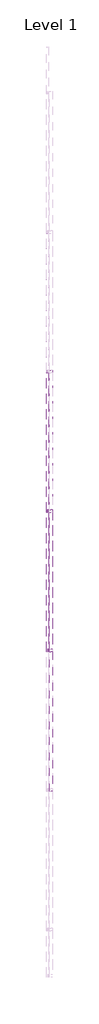
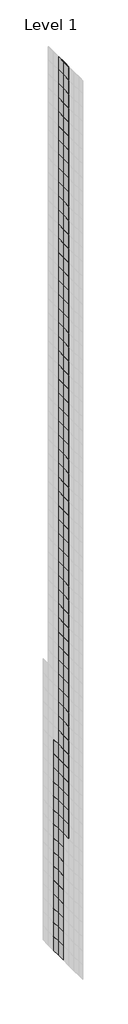
# One storey, part 3 of 29: 134 plates, 4 members.
"""IFC4 building model written with IfcOpenShell, lengths in millimetres."""

import ifcopenshell
import ifcopenshell.guid

model = None  # the IFC model being written
_history = None  # IfcOwnerHistory: only IFC2X3 demands one
_inside = {}  # id of a spatial element -> (the spatial element, [elements in it])
_under = {}  # id of a project, library or spatial element -> (it, [spatial elements below it])
_declared = {}  # id of a project -> (the project, [libraries it declares])
_typed = {}  # id of a type object -> (the type object, [elements of that type])
_made_of = {}  # id of a material, layer set ... -> (it, [elements and type objects made of it])


def new_model(schema):
    """Start an empty IFC model of exactly this schema.

    Asked for "IFC4X3", IfcOpenShell would pick the latest addendum, in which some entities
    have other attributes; the version numbers below select the first issue.
    IFC2X3 requires an IfcOwnerHistory on every rooted entity: one is made here for all.
    """
    global model, _history
    if schema == "IFC4X3":
        model = ifcopenshell.file(schema_version=(4, 3, 0, 0))
    else:
        model = ifcopenshell.file(schema=schema)
    _inside.clear()
    _under.clear()
    _declared.clear()
    _typed.clear()
    _made_of.clear()
    _history = None
    if model.schema == "IFC2X3":
        org = make("IfcOrganization", Name="unknown")
        user = make(
            "IfcPersonAndOrganization",
            ThePerson=make("IfcPerson", FamilyName="unknown"),
            TheOrganization=org,
        )
        app = make(
            "IfcApplication",
            ApplicationDeveloper=org,
            Version="unknown",
            ApplicationFullName="unknown",
            ApplicationIdentifier="unknown",
        )
        _history = make(
            "IfcOwnerHistory",
            OwningUser=user,
            OwningApplication=app,
            ChangeAction="ADDED",
            CreationDate=0,
        )
    return model


def make(cls, **values):
    """One entity of the class cls with the attributes given. An attribute that is None is left unset."""
    return model.create_entity(
        cls, **{name: value for name, value in values.items() if value is not None}
    )


def rooted(cls, **values):
    """An entity with a GlobalId (a new one), such as an element, a storey or a relation."""
    return make(cls, GlobalId=ifcopenshell.guid.new(), OwnerHistory=_history, **values)


def si_unit(unit_type, name, prefix=None):
    """IfcSIUnit, for example si_unit("LENGTHUNIT", "METRE", prefix="MILLI")."""
    return make("IfcSIUnit", UnitType=unit_type, Prefix=prefix, Name=name)


def assignment(units):
    """IfcUnitAssignment: the units of a project."""
    return None if units is None else make("IfcUnitAssignment", Units=units)


def point(xyz):
    """IfcCartesianPoint."""
    return None if xyz is None else make("IfcCartesianPoint", Coordinates=xyz)


def direction(xyz):
    """IfcDirection."""
    return None if xyz is None else make("IfcDirection", DirectionRatios=xyz)


def frame(location, z_axis=None, x_axis=None):
    """IfcAxis2Placement3D, a coordinate frame: its origin and axes. An axis left out is left unset."""
    return make(
        "IfcAxis2Placement3D",
        Location=point(location),
        Axis=direction(z_axis),
        RefDirection=direction(x_axis),
    )


def origin():
    """The frame at (0, 0, 0) with its axes left unset."""
    return frame((0.0, 0.0, 0.0))


def origin_with_axes():
    """The frame at (0, 0, 0) with the z axis (0, 0, 1) and the x axis (1, 0, 0) written out."""
    return frame((0.0, 0.0, 0.0), z_axis=(0.0, 0.0, 1.0), x_axis=(1.0, 0.0, 0.0))


def place(relative_to, where):
    """IfcLocalPlacement: puts the frame where relative to a parent placement (None: the world)."""
    return make(
        "IfcLocalPlacement", PlacementRelTo=relative_to, RelativePlacement=where
    )


def context(
    kind, dimensions, precision=None, world=None, true_north=None, identifier=None
):
    """IfcGeometricRepresentationContext, for example the 3D "Model" context."""
    return make(
        "IfcGeometricRepresentationContext",
        ContextIdentifier=identifier,
        ContextType=kind,
        CoordinateSpaceDimension=dimensions,
        Precision=precision,
        WorldCoordinateSystem=world,
        TrueNorth=true_north,
    )


def project(units=None, contexts=None):
    """IfcProject with its units and contexts."""
    return rooted(
        "IfcProject",
        Name="project",
        RepresentationContexts=contexts,
        UnitsInContext=assignment(units),
    )


def spatial(cls, under=None, at=None, **own):
    """A site, building, storey or space (cls), placed at a placement, below another one or the project."""
    s = rooted(cls, ObjectPlacement=at, **own)
    if under is not None:
        _under.setdefault(under.id(), (under, []))[1].append(s)
    return s


def polyline(points):
    """IfcPolyline through the points."""
    return make("IfcPolyline", Points=[point(p) for p in points])


def outline(outer, holes=None, kind="AREA"):
    """IfcArbitraryClosedProfileDef: a profile drawn as a closed curve; with holes, ...WithVoids."""
    if holes is None:
        return make("IfcArbitraryClosedProfileDef", ProfileType=kind, OuterCurve=outer)
    return make(
        "IfcArbitraryProfileDefWithVoids",
        ProfileType=kind,
        OuterCurve=outer,
        InnerCurves=holes,
    )


def extrude(swept, where, along, depth):
    """IfcExtrudedAreaSolid: the profile swept, set in the frame where, extruded along a direction by depth."""
    return make(
        "IfcExtrudedAreaSolid",
        SweptArea=swept,
        Position=where,
        ExtrudedDirection=direction(along),
        Depth=depth,
    )


def shape(context_of_items, identifier, shape_type, items):
    """IfcShapeRepresentation: the items that make up one representation, for example the "Body"."""
    return make(
        "IfcShapeRepresentation",
        ContextOfItems=context_of_items,
        RepresentationIdentifier=identifier,
        RepresentationType=shape_type,
        Items=items,
    )


def source(mapping_origin, context_of_items, identifier, shape_type, items):
    """IfcRepresentationMap: a shape defined once, which mapped items show again and again."""
    return make(
        "IfcRepresentationMap",
        MappingOrigin=mapping_origin,
        MappedRepresentation=shape(context_of_items, identifier, shape_type, items),
    )


def transform(
    local_origin,
    x_axis=None,
    y_axis=None,
    z_axis=None,
    scale=None,
    scale2=None,
    scale3=None,
    uniform=True,
):
    """IfcCartesianTransformationOperator3D, or its non-uniform kind. x_axis, y_axis, z_axis: its Axis1, 2, 3."""
    if uniform:
        return make(
            "IfcCartesianTransformationOperator3D",
            Axis1=direction(x_axis),
            Axis2=direction(y_axis),
            LocalOrigin=point(local_origin),
            Scale=scale,
            Axis3=direction(z_axis),
        )
    return make(
        "IfcCartesianTransformationOperator3DnonUniform",
        Axis1=direction(x_axis),
        Axis2=direction(y_axis),
        LocalOrigin=point(local_origin),
        Scale=scale,
        Axis3=direction(z_axis),
        Scale2=scale2,
        Scale3=scale3,
    )


def mapped(mapping_source, mapping_target):
    """IfcMappedItem: shows the shape of a source again, moved by a transform."""
    return make(
        "IfcMappedItem", MappingSource=mapping_source, MappingTarget=mapping_target
    )


def made_of(thing, what):
    """Note that an element or type object is made of a material, layer set ...; save() writes the relation."""
    if what is not None:
        _made_of.setdefault(what.id(), (what, []))[1].append(thing)
    return thing


def element(
    cls,
    number,
    at=None,
    inside=None,
    cuts=None,
    type_object=None,
    material=None,
    context=None,
    identifier="Body",
    shape_type=None,
    held_by="IfcProductDefinitionShape",
    body=None,
    shapes=None,
    **own,
):
    """One element of the class cls, such as IfcWall. Its Tag is "e" and its number.

    at: its placement. inside: the storey or other place that contains it. cuts: it is an
    opening in that element (IfcRelVoidsElement). A single representation is given by context,
    identifier, shape_type and body (its items); several are given by shapes. held_by: the class
    of the entity that holds the representations. save() writes the other relations.
    """
    e = rooted(cls, Tag="e%d" % number, ObjectPlacement=at, **own)
    if body is not None:
        shapes = [shape(context, identifier, shape_type, body)]
    if shapes is not None:
        e.Representation = make(held_by, Representations=shapes)
    if inside is not None:
        _inside.setdefault(inside.id(), (inside, []))[1].append(e)
    if cuts is not None:
        rooted(
            "IfcRelVoidsElement", RelatingBuildingElement=cuts, RelatedOpeningElement=e
        )
    if type_object is not None:
        _typed.setdefault(type_object.id(), (type_object, []))[1].append(e)
    return made_of(e, material)


def aggregate(whole, parts):
    """IfcRelAggregates: a whole, such as a stair, and the parts it consists of."""
    return rooted("IfcRelAggregates", RelatingObject=whole, RelatedObjects=parts)


def save(model, path):
    """Write the relations noted so far, then the file.

    IfcRelAggregates (storeys below a building ...), IfcRelContainedInSpatialStructure (elements
    in a storey), IfcRelDefinesByType, IfcRelAssociatesMaterial and IfcRelDeclares: one each for
    every whole, place, type object, material and project.
    """
    for whole, parts in _under.values():
        aggregate(whole, parts)
    for where, things in _inside.values():
        rooted(
            "IfcRelContainedInSpatialStructure",
            RelatedElements=things,
            RelatingStructure=where,
        )
    for kind, things in _typed.values():
        rooted("IfcRelDefinesByType", RelatedObjects=things, RelatingType=kind)
    for what, things in _made_of.values():
        rooted("IfcRelAssociatesMaterial", RelatedObjects=things, RelatingMaterial=what)
    for by, libraries in _declared.values():
        rooted("IfcRelDeclares", RelatingContext=by, RelatedDefinitions=libraries)
    model.write(path)


def rectangular_mullion_30mm_square_0448d2ee(model_context):
    return source(origin(), model_context, "Body", "SweptSolid", [
        extrude(outline(polyline([(0.0, 15.0), (0.0, -15.0), (-30.0, -15.0), (-30.0, 15.0), (0.0, 15.0)])), frame((0.0, 0.0, -1500.0), z_axis=(0.0, 0.0, 1.0), x_axis=(1.0, 0.0, 0.0)), (0.0, 0.0, 1.0), 1500.0),
    ])


def system_panel_glazed_328a1fc4(model_context):
    return source(origin(), model_context, "Body", "SweptSolid", [
        extrude(outline(polyline([(750.0, -49.5), (-750.0, -49.5), (-750.0, -24.5), (750.0, -24.5), (750.0, -49.5)])), origin_with_axes(), (0.0, 0.0, 1.0), 2500.0),
    ])


def system_panel_glazed_00ce7913(model_context):
    return source(origin(), model_context, "Body", "SweptSolid", [
        extrude(outline(polyline([(750.0, -49.5), (-750.0, -49.5), (-750.0, -24.5), (750.0, -24.5), (750.0, -49.5)])), origin_with_axes(), (0.0, 0.0, 1.0), 2300.0),
    ])


model = new_model("IFC4")

# Units and contexts
model_context = context("Model", 3, world=origin())
ifc_project = project(units=[si_unit("LENGTHUNIT", "METRE", prefix="MILLI")], contexts=[model_context])

# Site, building, storey
site = spatial("IfcSite", under=ifc_project)
building = spatial("IfcBuilding", under=site)
storey = spatial("IfcBuildingStorey", under=building, Name="Level 1", Elevation=0.0)

# Members
placement = place(None, origin())
rectangular_mullion_30mm_square_shape = rectangular_mullion_30mm_square_0448d2ee(model_context)
element("IfcMember", 1, ObjectType="Rectangular Mullion : 30mm Square", at=placement, inside=storey, context=model_context, shape_type="MappedRepresentation", body=[
    mapped(rectangular_mullion_30mm_square_shape, transform((-32220.0048524, -13446.8870295, 300200.0), x_axis=(0.0, 0.0, 1.0), y_axis=(-1.0, 0.0, 0.0), z_axis=(0.0, -1.0, 0.0))),
])
element("IfcMember", 2, ObjectType="Rectangular Mullion : 30mm Square", at=placement, inside=storey, context=model_context, shape_type="MappedRepresentation", body=[
    mapped(rectangular_mullion_30mm_square_shape, transform((-32220.0048524, -14946.8870295, 300200.0), x_axis=(0.0, 0.0, 1.0), y_axis=(-1.0, 0.0, 0.0), z_axis=(0.0, -1.0, 0.0))),
])
element("IfcMember", 3, ObjectType="Rectangular Mullion : 30mm Square", at=placement, inside=storey, context=model_context, shape_type="MappedRepresentation", body=[
    mapped(rectangular_mullion_30mm_square_shape, transform((-32220.0048524, -13446.8870295, 140400.0), x_axis=(0.0, 0.0, -1.0), y_axis=(-1.0, 0.0, 0.0), z_axis=(0.0, 1.0, 0.0))),
])
element("IfcMember", 4, ObjectType="Rectangular Mullion : 30mm Square", at=placement, inside=storey, context=model_context, shape_type="MappedRepresentation", body=[
    mapped(rectangular_mullion_30mm_square_shape, transform((-32220.0048524, -14946.8870295, 140400.0), x_axis=(0.0, 0.0, -1.0), y_axis=(-1.0, 0.0, 0.0), z_axis=(0.0, 1.0, 0.0))),
])

# Plates
system_panel_glazed_shape = system_panel_glazed_328a1fc4(model_context)
element("IfcPlate", 5, ObjectType="System Panel : Glazed", at=placement, inside=storey, context=model_context, shape_type="MappedRepresentation", body=[
    mapped(system_panel_glazed_shape, transform((-32220.0048524, -11196.8870295, 140400.0), x_axis=(0.0, -1.0, 0.0), y_axis=(1.0, 0.0, 0.0), z_axis=(0.0, 0.0, 1.0))),
])
element("IfcPlate", 6, ObjectType="System Panel : Glazed", at=placement, inside=storey, context=model_context, shape_type="MappedRepresentation", body=[
    mapped(system_panel_glazed_shape, transform((-32220.0048524, -12696.8870295, 140400.0), x_axis=(0.0, -1.0, 0.0), y_axis=(1.0, 0.0, 0.0), z_axis=(0.0, 0.0, 1.0))),
])
element("IfcPlate", 7, ObjectType="System Panel : Glazed", at=placement, inside=storey, context=model_context, shape_type="MappedRepresentation", body=[
    mapped(system_panel_glazed_shape, transform((-32220.0048524, -11196.8870295, 142900.0), x_axis=(0.0, -1.0, 0.0), y_axis=(1.0, 0.0, 0.0), z_axis=(0.0, 0.0, 1.0))),
])
element("IfcPlate", 8, ObjectType="System Panel : Glazed", at=placement, inside=storey, context=model_context, shape_type="MappedRepresentation", body=[
    mapped(system_panel_glazed_shape, transform((-32220.0048524, -12696.8870295, 142900.0), x_axis=(0.0, -1.0, 0.0), y_axis=(1.0, 0.0, 0.0), z_axis=(0.0, 0.0, 1.0))),
])
element("IfcPlate", 9, ObjectType="System Panel : Glazed", at=placement, inside=storey, context=model_context, shape_type="MappedRepresentation", body=[
    mapped(system_panel_glazed_shape, transform((-32220.0048524, -11196.8870295, 145400.0), x_axis=(0.0, -1.0, 0.0), y_axis=(1.0, 0.0, 0.0), z_axis=(0.0, 0.0, 1.0))),
])
element("IfcPlate", 10, ObjectType="System Panel : Glazed", at=placement, inside=storey, context=model_context, shape_type="MappedRepresentation", body=[
    mapped(system_panel_glazed_shape, transform((-32220.0048524, -12696.8870295, 145400.0), x_axis=(0.0, -1.0, 0.0), y_axis=(1.0, 0.0, 0.0), z_axis=(0.0, 0.0, 1.0))),
])
element("IfcPlate", 11, ObjectType="System Panel : Glazed", at=placement, inside=storey, context=model_context, shape_type="MappedRepresentation", body=[
    mapped(system_panel_glazed_shape, transform((-32220.0048524, -11196.8870295, 147900.0), x_axis=(0.0, -1.0, 0.0), y_axis=(1.0, 0.0, 0.0), z_axis=(0.0, 0.0, 1.0))),
])
element("IfcPlate", 12, ObjectType="System Panel : Glazed", at=placement, inside=storey, context=model_context, shape_type="MappedRepresentation", body=[
    mapped(system_panel_glazed_shape, transform((-32220.0048524, -12696.8870295, 147900.0), x_axis=(0.0, -1.0, 0.0), y_axis=(1.0, 0.0, 0.0), z_axis=(0.0, 0.0, 1.0))),
])
element("IfcPlate", 13, ObjectType="System Panel : Glazed", at=placement, inside=storey, context=model_context, shape_type="MappedRepresentation", body=[
    mapped(system_panel_glazed_shape, transform((-32220.0048524, -11196.8870295, 150400.0), x_axis=(0.0, -1.0, 0.0), y_axis=(1.0, 0.0, 0.0), z_axis=(0.0, 0.0, 1.0))),
])
element("IfcPlate", 14, ObjectType="System Panel : Glazed", at=placement, inside=storey, context=model_context, shape_type="MappedRepresentation", body=[
    mapped(system_panel_glazed_shape, transform((-32220.0048524, -12696.8870295, 150400.0), x_axis=(0.0, -1.0, 0.0), y_axis=(1.0, 0.0, 0.0), z_axis=(0.0, 0.0, 1.0))),
])
element("IfcPlate", 15, ObjectType="System Panel : Glazed", at=placement, inside=storey, context=model_context, shape_type="MappedRepresentation", body=[
    mapped(system_panel_glazed_shape, transform((-32220.0048524, -11196.8870295, 152900.0), x_axis=(0.0, -1.0, 0.0), y_axis=(1.0, 0.0, 0.0), z_axis=(0.0, 0.0, 1.0))),
])
element("IfcPlate", 16, ObjectType="System Panel : Glazed", at=placement, inside=storey, context=model_context, shape_type="MappedRepresentation", body=[
    mapped(system_panel_glazed_shape, transform((-32220.0048524, -12696.8870295, 152900.0), x_axis=(0.0, -1.0, 0.0), y_axis=(1.0, 0.0, 0.0), z_axis=(0.0, 0.0, 1.0))),
])
element("IfcPlate", 17, ObjectType="System Panel : Glazed", at=placement, inside=storey, context=model_context, shape_type="MappedRepresentation", body=[
    mapped(system_panel_glazed_shape, transform((-32220.0048524, -11196.8870295, 155400.0), x_axis=(0.0, -1.0, 0.0), y_axis=(1.0, 0.0, 0.0), z_axis=(0.0, 0.0, 1.0))),
])
element("IfcPlate", 18, ObjectType="System Panel : Glazed", at=placement, inside=storey, context=model_context, shape_type="MappedRepresentation", body=[
    mapped(system_panel_glazed_shape, transform((-32220.0048524, -12696.8870295, 155400.0), x_axis=(0.0, -1.0, 0.0), y_axis=(1.0, 0.0, 0.0), z_axis=(0.0, 0.0, 1.0))),
])
element("IfcPlate", 19, ObjectType="System Panel : Glazed", at=placement, inside=storey, context=model_context, shape_type="MappedRepresentation", body=[
    mapped(system_panel_glazed_shape, transform((-32220.0048524, -11196.8870295, 157900.0), x_axis=(0.0, -1.0, 0.0), y_axis=(1.0, 0.0, 0.0), z_axis=(0.0, 0.0, 1.0))),
])
element("IfcPlate", 20, ObjectType="System Panel : Glazed", at=placement, inside=storey, context=model_context, shape_type="MappedRepresentation", body=[
    mapped(system_panel_glazed_shape, transform((-32220.0048524, -12696.8870295, 157900.0), x_axis=(0.0, -1.0, 0.0), y_axis=(1.0, 0.0, 0.0), z_axis=(0.0, 0.0, 1.0))),
])
element("IfcPlate", 21, ObjectType="System Panel : Glazed", at=placement, inside=storey, context=model_context, shape_type="MappedRepresentation", body=[
    mapped(system_panel_glazed_shape, transform((-32220.0048524, -11196.8870295, 160400.0), x_axis=(0.0, -1.0, 0.0), y_axis=(1.0, 0.0, 0.0), z_axis=(0.0, 0.0, 1.0))),
])
element("IfcPlate", 22, ObjectType="System Panel : Glazed", at=placement, inside=storey, context=model_context, shape_type="MappedRepresentation", body=[
    mapped(system_panel_glazed_shape, transform((-32220.0048524, -12696.8870295, 160400.0), x_axis=(0.0, -1.0, 0.0), y_axis=(1.0, 0.0, 0.0), z_axis=(0.0, 0.0, 1.0))),
])
element("IfcPlate", 23, ObjectType="System Panel : Glazed", at=placement, inside=storey, context=model_context, shape_type="MappedRepresentation", body=[
    mapped(system_panel_glazed_shape, transform((-32220.0048524, -11196.8870295, 162900.0), x_axis=(0.0, -1.0, 0.0), y_axis=(1.0, 0.0, 0.0), z_axis=(0.0, 0.0, 1.0))),
])
element("IfcPlate", 24, ObjectType="System Panel : Glazed", at=placement, inside=storey, context=model_context, shape_type="MappedRepresentation", body=[
    mapped(system_panel_glazed_shape, transform((-32220.0048524, -12696.8870295, 162900.0), x_axis=(0.0, -1.0, 0.0), y_axis=(1.0, 0.0, 0.0), z_axis=(0.0, 0.0, 1.0))),
])
element("IfcPlate", 25, ObjectType="System Panel : Glazed", at=placement, inside=storey, context=model_context, shape_type="MappedRepresentation", body=[
    mapped(system_panel_glazed_shape, transform((-32220.0048524, -14196.8870295, 162900.0), x_axis=(0.0, -1.0, 0.0), y_axis=(1.0, 0.0, 0.0), z_axis=(0.0, 0.0, 1.0))),
])
element("IfcPlate", 26, ObjectType="System Panel : Glazed", at=placement, inside=storey, context=model_context, shape_type="MappedRepresentation", body=[
    mapped(system_panel_glazed_shape, transform((-32220.0048524, -11196.8870295, 165400.0), x_axis=(0.0, -1.0, 0.0), y_axis=(1.0, 0.0, 0.0), z_axis=(0.0, 0.0, 1.0))),
])
element("IfcPlate", 27, ObjectType="System Panel : Glazed", at=placement, inside=storey, context=model_context, shape_type="MappedRepresentation", body=[
    mapped(system_panel_glazed_shape, transform((-32220.0048524, -12696.8870295, 165400.0), x_axis=(0.0, -1.0, 0.0), y_axis=(1.0, 0.0, 0.0), z_axis=(0.0, 0.0, 1.0))),
])
element("IfcPlate", 28, ObjectType="System Panel : Glazed", at=placement, inside=storey, context=model_context, shape_type="MappedRepresentation", body=[
    mapped(system_panel_glazed_shape, transform((-32220.0048524, -14196.8870295, 165400.0), x_axis=(0.0, -1.0, 0.0), y_axis=(1.0, 0.0, 0.0), z_axis=(0.0, 0.0, 1.0))),
])
element("IfcPlate", 29, ObjectType="System Panel : Glazed", at=placement, inside=storey, context=model_context, shape_type="MappedRepresentation", body=[
    mapped(system_panel_glazed_shape, transform((-32220.0048524, -11196.8870295, 167900.0), x_axis=(0.0, -1.0, 0.0), y_axis=(1.0, 0.0, 0.0), z_axis=(0.0, 0.0, 1.0))),
])
element("IfcPlate", 30, ObjectType="System Panel : Glazed", at=placement, inside=storey, context=model_context, shape_type="MappedRepresentation", body=[
    mapped(system_panel_glazed_shape, transform((-32220.0048524, -12696.8870295, 167900.0), x_axis=(0.0, -1.0, 0.0), y_axis=(1.0, 0.0, 0.0), z_axis=(0.0, 0.0, 1.0))),
])
element("IfcPlate", 31, ObjectType="System Panel : Glazed", at=placement, inside=storey, context=model_context, shape_type="MappedRepresentation", body=[
    mapped(system_panel_glazed_shape, transform((-32220.0048524, -14196.8870295, 167900.0), x_axis=(0.0, -1.0, 0.0), y_axis=(1.0, 0.0, 0.0), z_axis=(0.0, 0.0, 1.0))),
])
element("IfcPlate", 32, ObjectType="System Panel : Glazed", at=placement, inside=storey, context=model_context, shape_type="MappedRepresentation", body=[
    mapped(system_panel_glazed_shape, transform((-32220.0048524, -11196.8870295, 170400.0), x_axis=(0.0, -1.0, 0.0), y_axis=(1.0, 0.0, 0.0), z_axis=(0.0, 0.0, 1.0))),
])
element("IfcPlate", 33, ObjectType="System Panel : Glazed", at=placement, inside=storey, context=model_context, shape_type="MappedRepresentation", body=[
    mapped(system_panel_glazed_shape, transform((-32220.0048524, -12696.8870295, 170400.0), x_axis=(0.0, -1.0, 0.0), y_axis=(1.0, 0.0, 0.0), z_axis=(0.0, 0.0, 1.0))),
])
element("IfcPlate", 34, ObjectType="System Panel : Glazed", at=placement, inside=storey, context=model_context, shape_type="MappedRepresentation", body=[
    mapped(system_panel_glazed_shape, transform((-32220.0048524, -14196.8870295, 170400.0), x_axis=(0.0, -1.0, 0.0), y_axis=(1.0, 0.0, 0.0), z_axis=(0.0, 0.0, 1.0))),
])
element("IfcPlate", 35, ObjectType="System Panel : Glazed", at=placement, inside=storey, context=model_context, shape_type="MappedRepresentation", body=[
    mapped(system_panel_glazed_shape, transform((-32220.0048524, -11196.8870295, 172900.0), x_axis=(0.0, -1.0, 0.0), y_axis=(1.0, 0.0, 0.0), z_axis=(0.0, 0.0, 1.0))),
])
element("IfcPlate", 36, ObjectType="System Panel : Glazed", at=placement, inside=storey, context=model_context, shape_type="MappedRepresentation", body=[
    mapped(system_panel_glazed_shape, transform((-32220.0048524, -12696.8870295, 172900.0), x_axis=(0.0, -1.0, 0.0), y_axis=(1.0, 0.0, 0.0), z_axis=(0.0, 0.0, 1.0))),
])
element("IfcPlate", 37, ObjectType="System Panel : Glazed", at=placement, inside=storey, context=model_context, shape_type="MappedRepresentation", body=[
    mapped(system_panel_glazed_shape, transform((-32220.0048524, -14196.8870295, 172900.0), x_axis=(0.0, -1.0, 0.0), y_axis=(1.0, 0.0, 0.0), z_axis=(0.0, 0.0, 1.0))),
])
element("IfcPlate", 38, ObjectType="System Panel : Glazed", at=placement, inside=storey, context=model_context, shape_type="MappedRepresentation", body=[
    mapped(system_panel_glazed_shape, transform((-32220.0048524, -11196.8870295, 175400.0), x_axis=(0.0, -1.0, 0.0), y_axis=(1.0, 0.0, 0.0), z_axis=(0.0, 0.0, 1.0))),
])
element("IfcPlate", 39, ObjectType="System Panel : Glazed", at=placement, inside=storey, context=model_context, shape_type="MappedRepresentation", body=[
    mapped(system_panel_glazed_shape, transform((-32220.0048524, -12696.8870295, 175400.0), x_axis=(0.0, -1.0, 0.0), y_axis=(1.0, 0.0, 0.0), z_axis=(0.0, 0.0, 1.0))),
])
element("IfcPlate", 40, ObjectType="System Panel : Glazed", at=placement, inside=storey, context=model_context, shape_type="MappedRepresentation", body=[
    mapped(system_panel_glazed_shape, transform((-32220.0048524, -14196.8870295, 175400.0), x_axis=(0.0, -1.0, 0.0), y_axis=(1.0, 0.0, 0.0), z_axis=(0.0, 0.0, 1.0))),
])
element("IfcPlate", 41, ObjectType="System Panel : Glazed", at=placement, inside=storey, context=model_context, shape_type="MappedRepresentation", body=[
    mapped(system_panel_glazed_shape, transform((-32220.0048524, -12696.8870295, 177900.0), x_axis=(0.0, -1.0, 0.0), y_axis=(1.0, 0.0, 0.0), z_axis=(0.0, 0.0, 1.0))),
])
element("IfcPlate", 42, ObjectType="System Panel : Glazed", at=placement, inside=storey, context=model_context, shape_type="MappedRepresentation", body=[
    mapped(system_panel_glazed_shape, transform((-32220.0048524, -14196.8870295, 177900.0), x_axis=(0.0, -1.0, 0.0), y_axis=(1.0, 0.0, 0.0), z_axis=(0.0, 0.0, 1.0))),
])
element("IfcPlate", 43, ObjectType="System Panel : Glazed", at=placement, inside=storey, context=model_context, shape_type="MappedRepresentation", body=[
    mapped(system_panel_glazed_shape, transform((-32220.0048524, -12696.8870295, 180400.0), x_axis=(0.0, -1.0, 0.0), y_axis=(1.0, 0.0, 0.0), z_axis=(0.0, 0.0, 1.0))),
])
element("IfcPlate", 44, ObjectType="System Panel : Glazed", at=placement, inside=storey, context=model_context, shape_type="MappedRepresentation", body=[
    mapped(system_panel_glazed_shape, transform((-32220.0048524, -14196.8870295, 180400.0), x_axis=(0.0, -1.0, 0.0), y_axis=(1.0, 0.0, 0.0), z_axis=(0.0, 0.0, 1.0))),
])
element("IfcPlate", 45, ObjectType="System Panel : Glazed", at=placement, inside=storey, context=model_context, shape_type="MappedRepresentation", body=[
    mapped(system_panel_glazed_shape, transform((-32220.0048524, -12696.8870295, 182900.0), x_axis=(0.0, -1.0, 0.0), y_axis=(1.0, 0.0, 0.0), z_axis=(0.0, 0.0, 1.0))),
])
element("IfcPlate", 46, ObjectType="System Panel : Glazed", at=placement, inside=storey, context=model_context, shape_type="MappedRepresentation", body=[
    mapped(system_panel_glazed_shape, transform((-32220.0048524, -14196.8870295, 182900.0), x_axis=(0.0, -1.0, 0.0), y_axis=(1.0, 0.0, 0.0), z_axis=(0.0, 0.0, 1.0))),
])
element("IfcPlate", 47, ObjectType="System Panel : Glazed", at=placement, inside=storey, context=model_context, shape_type="MappedRepresentation", body=[
    mapped(system_panel_glazed_shape, transform((-32220.0048524, -12696.8870295, 185400.0), x_axis=(0.0, -1.0, 0.0), y_axis=(1.0, 0.0, 0.0), z_axis=(0.0, 0.0, 1.0))),
])
element("IfcPlate", 48, ObjectType="System Panel : Glazed", at=placement, inside=storey, context=model_context, shape_type="MappedRepresentation", body=[
    mapped(system_panel_glazed_shape, transform((-32220.0048524, -14196.8870295, 185400.0), x_axis=(0.0, -1.0, 0.0), y_axis=(1.0, 0.0, 0.0), z_axis=(0.0, 0.0, 1.0))),
])
element("IfcPlate", 49, ObjectType="System Panel : Glazed", at=placement, inside=storey, context=model_context, shape_type="MappedRepresentation", body=[
    mapped(system_panel_glazed_shape, transform((-32220.0048524, -12696.8870295, 187900.0), x_axis=(0.0, -1.0, 0.0), y_axis=(1.0, 0.0, 0.0), z_axis=(0.0, 0.0, 1.0))),
])
element("IfcPlate", 50, ObjectType="System Panel : Glazed", at=placement, inside=storey, context=model_context, shape_type="MappedRepresentation", body=[
    mapped(system_panel_glazed_shape, transform((-32220.0048524, -14196.8870295, 187900.0), x_axis=(0.0, -1.0, 0.0), y_axis=(1.0, 0.0, 0.0), z_axis=(0.0, 0.0, 1.0))),
])
element("IfcPlate", 51, ObjectType="System Panel : Glazed", at=placement, inside=storey, context=model_context, shape_type="MappedRepresentation", body=[
    mapped(system_panel_glazed_shape, transform((-32220.0048524, -12696.8870295, 190400.0), x_axis=(0.0, -1.0, 0.0), y_axis=(1.0, 0.0, 0.0), z_axis=(0.0, 0.0, 1.0))),
])
element("IfcPlate", 52, ObjectType="System Panel : Glazed", at=placement, inside=storey, context=model_context, shape_type="MappedRepresentation", body=[
    mapped(system_panel_glazed_shape, transform((-32220.0048524, -14196.8870295, 190400.0), x_axis=(0.0, -1.0, 0.0), y_axis=(1.0, 0.0, 0.0), z_axis=(0.0, 0.0, 1.0))),
])
element("IfcPlate", 53, ObjectType="System Panel : Glazed", at=placement, inside=storey, context=model_context, shape_type="MappedRepresentation", body=[
    mapped(system_panel_glazed_shape, transform((-32220.0048524, -12696.8870295, 192900.0), x_axis=(0.0, -1.0, 0.0), y_axis=(1.0, 0.0, 0.0), z_axis=(0.0, 0.0, 1.0))),
])
element("IfcPlate", 54, ObjectType="System Panel : Glazed", at=placement, inside=storey, context=model_context, shape_type="MappedRepresentation", body=[
    mapped(system_panel_glazed_shape, transform((-32220.0048524, -14196.8870295, 192900.0), x_axis=(0.0, -1.0, 0.0), y_axis=(1.0, 0.0, 0.0), z_axis=(0.0, 0.0, 1.0))),
])
element("IfcPlate", 55, ObjectType="System Panel : Glazed", at=placement, inside=storey, context=model_context, shape_type="MappedRepresentation", body=[
    mapped(system_panel_glazed_shape, transform((-32220.0048524, -12696.8870295, 195400.0), x_axis=(0.0, -1.0, 0.0), y_axis=(1.0, 0.0, 0.0), z_axis=(0.0, 0.0, 1.0))),
])
element("IfcPlate", 56, ObjectType="System Panel : Glazed", at=placement, inside=storey, context=model_context, shape_type="MappedRepresentation", body=[
    mapped(system_panel_glazed_shape, transform((-32220.0048524, -14196.8870295, 195400.0), x_axis=(0.0, -1.0, 0.0), y_axis=(1.0, 0.0, 0.0), z_axis=(0.0, 0.0, 1.0))),
])
element("IfcPlate", 57, ObjectType="System Panel : Glazed", at=placement, inside=storey, context=model_context, shape_type="MappedRepresentation", body=[
    mapped(system_panel_glazed_shape, transform((-32220.0048524, -12696.8870295, 197900.0), x_axis=(0.0, -1.0, 0.0), y_axis=(1.0, 0.0, 0.0), z_axis=(0.0, 0.0, 1.0))),
])
element("IfcPlate", 58, ObjectType="System Panel : Glazed", at=placement, inside=storey, context=model_context, shape_type="MappedRepresentation", body=[
    mapped(system_panel_glazed_shape, transform((-32220.0048524, -14196.8870295, 197900.0), x_axis=(0.0, -1.0, 0.0), y_axis=(1.0, 0.0, 0.0), z_axis=(0.0, 0.0, 1.0))),
])
element("IfcPlate", 59, ObjectType="System Panel : Glazed", at=placement, inside=storey, context=model_context, shape_type="MappedRepresentation", body=[
    mapped(system_panel_glazed_shape, transform((-32220.0048524, -12696.8870295, 200400.0), x_axis=(0.0, -1.0, 0.0), y_axis=(1.0, 0.0, 0.0), z_axis=(0.0, 0.0, 1.0))),
])
element("IfcPlate", 60, ObjectType="System Panel : Glazed", at=placement, inside=storey, context=model_context, shape_type="MappedRepresentation", body=[
    mapped(system_panel_glazed_shape, transform((-32220.0048524, -14196.8870295, 200400.0), x_axis=(0.0, -1.0, 0.0), y_axis=(1.0, 0.0, 0.0), z_axis=(0.0, 0.0, 1.0))),
])
element("IfcPlate", 61, ObjectType="System Panel : Glazed", at=placement, inside=storey, context=model_context, shape_type="MappedRepresentation", body=[
    mapped(system_panel_glazed_shape, transform((-32220.0048524, -12696.8870295, 202900.0), x_axis=(0.0, -1.0, 0.0), y_axis=(1.0, 0.0, 0.0), z_axis=(0.0, 0.0, 1.0))),
])
element("IfcPlate", 62, ObjectType="System Panel : Glazed", at=placement, inside=storey, context=model_context, shape_type="MappedRepresentation", body=[
    mapped(system_panel_glazed_shape, transform((-32220.0048524, -14196.8870295, 202900.0), x_axis=(0.0, -1.0, 0.0), y_axis=(1.0, 0.0, 0.0), z_axis=(0.0, 0.0, 1.0))),
])
element("IfcPlate", 63, ObjectType="System Panel : Glazed", at=placement, inside=storey, context=model_context, shape_type="MappedRepresentation", body=[
    mapped(system_panel_glazed_shape, transform((-32220.0048524, -12696.8870295, 205400.0), x_axis=(0.0, -1.0, 0.0), y_axis=(1.0, 0.0, 0.0), z_axis=(0.0, 0.0, 1.0))),
])
element("IfcPlate", 64, ObjectType="System Panel : Glazed", at=placement, inside=storey, context=model_context, shape_type="MappedRepresentation", body=[
    mapped(system_panel_glazed_shape, transform((-32220.0048524, -14196.8870295, 205400.0), x_axis=(0.0, -1.0, 0.0), y_axis=(1.0, 0.0, 0.0), z_axis=(0.0, 0.0, 1.0))),
])
element("IfcPlate", 65, ObjectType="System Panel : Glazed", at=placement, inside=storey, context=model_context, shape_type="MappedRepresentation", body=[
    mapped(system_panel_glazed_shape, transform((-32220.0048524, -12696.8870295, 207900.0), x_axis=(0.0, -1.0, 0.0), y_axis=(1.0, 0.0, 0.0), z_axis=(0.0, 0.0, 1.0))),
])
element("IfcPlate", 66, ObjectType="System Panel : Glazed", at=placement, inside=storey, context=model_context, shape_type="MappedRepresentation", body=[
    mapped(system_panel_glazed_shape, transform((-32220.0048524, -14196.8870295, 207900.0), x_axis=(0.0, -1.0, 0.0), y_axis=(1.0, 0.0, 0.0), z_axis=(0.0, 0.0, 1.0))),
])
element("IfcPlate", 67, ObjectType="System Panel : Glazed", at=placement, inside=storey, context=model_context, shape_type="MappedRepresentation", body=[
    mapped(system_panel_glazed_shape, transform((-32220.0048524, -12696.8870295, 210400.0), x_axis=(0.0, -1.0, 0.0), y_axis=(1.0, 0.0, 0.0), z_axis=(0.0, 0.0, 1.0))),
])
element("IfcPlate", 68, ObjectType="System Panel : Glazed", at=placement, inside=storey, context=model_context, shape_type="MappedRepresentation", body=[
    mapped(system_panel_glazed_shape, transform((-32220.0048524, -14196.8870295, 210400.0), x_axis=(0.0, -1.0, 0.0), y_axis=(1.0, 0.0, 0.0), z_axis=(0.0, 0.0, 1.0))),
])
element("IfcPlate", 69, ObjectType="System Panel : Glazed", at=placement, inside=storey, context=model_context, shape_type="MappedRepresentation", body=[
    mapped(system_panel_glazed_shape, transform((-32220.0048524, -12696.8870295, 212900.0), x_axis=(0.0, -1.0, 0.0), y_axis=(1.0, 0.0, 0.0), z_axis=(0.0, 0.0, 1.0))),
])
element("IfcPlate", 70, ObjectType="System Panel : Glazed", at=placement, inside=storey, context=model_context, shape_type="MappedRepresentation", body=[
    mapped(system_panel_glazed_shape, transform((-32220.0048524, -14196.8870295, 212900.0), x_axis=(0.0, -1.0, 0.0), y_axis=(1.0, 0.0, 0.0), z_axis=(0.0, 0.0, 1.0))),
])
element("IfcPlate", 71, ObjectType="System Panel : Glazed", at=placement, inside=storey, context=model_context, shape_type="MappedRepresentation", body=[
    mapped(system_panel_glazed_shape, transform((-32220.0048524, -12696.8870295, 215400.0), x_axis=(0.0, -1.0, 0.0), y_axis=(1.0, 0.0, 0.0), z_axis=(0.0, 0.0, 1.0))),
])
element("IfcPlate", 72, ObjectType="System Panel : Glazed", at=placement, inside=storey, context=model_context, shape_type="MappedRepresentation", body=[
    mapped(system_panel_glazed_shape, transform((-32220.0048524, -14196.8870295, 215400.0), x_axis=(0.0, -1.0, 0.0), y_axis=(1.0, 0.0, 0.0), z_axis=(0.0, 0.0, 1.0))),
])
element("IfcPlate", 73, ObjectType="System Panel : Glazed", at=placement, inside=storey, context=model_context, shape_type="MappedRepresentation", body=[
    mapped(system_panel_glazed_shape, transform((-32220.0048524, -12696.8870295, 217900.0), x_axis=(0.0, -1.0, 0.0), y_axis=(1.0, 0.0, 0.0), z_axis=(0.0, 0.0, 1.0))),
])
element("IfcPlate", 74, ObjectType="System Panel : Glazed", at=placement, inside=storey, context=model_context, shape_type="MappedRepresentation", body=[
    mapped(system_panel_glazed_shape, transform((-32220.0048524, -14196.8870295, 217900.0), x_axis=(0.0, -1.0, 0.0), y_axis=(1.0, 0.0, 0.0), z_axis=(0.0, 0.0, 1.0))),
])
element("IfcPlate", 75, ObjectType="System Panel : Glazed", at=placement, inside=storey, context=model_context, shape_type="MappedRepresentation", body=[
    mapped(system_panel_glazed_shape, transform((-32220.0048524, -12696.8870295, 220400.0), x_axis=(0.0, -1.0, 0.0), y_axis=(1.0, 0.0, 0.0), z_axis=(0.0, 0.0, 1.0))),
])
element("IfcPlate", 76, ObjectType="System Panel : Glazed", at=placement, inside=storey, context=model_context, shape_type="MappedRepresentation", body=[
    mapped(system_panel_glazed_shape, transform((-32220.0048524, -14196.8870295, 220400.0), x_axis=(0.0, -1.0, 0.0), y_axis=(1.0, 0.0, 0.0), z_axis=(0.0, 0.0, 1.0))),
])
element("IfcPlate", 77, ObjectType="System Panel : Glazed", at=placement, inside=storey, context=model_context, shape_type="MappedRepresentation", body=[
    mapped(system_panel_glazed_shape, transform((-32220.0048524, -12696.8870295, 222900.0), x_axis=(0.0, -1.0, 0.0), y_axis=(1.0, 0.0, 0.0), z_axis=(0.0, 0.0, 1.0))),
])
element("IfcPlate", 78, ObjectType="System Panel : Glazed", at=placement, inside=storey, context=model_context, shape_type="MappedRepresentation", body=[
    mapped(system_panel_glazed_shape, transform((-32220.0048524, -14196.8870295, 222900.0), x_axis=(0.0, -1.0, 0.0), y_axis=(1.0, 0.0, 0.0), z_axis=(0.0, 0.0, 1.0))),
])
element("IfcPlate", 79, ObjectType="System Panel : Glazed", at=placement, inside=storey, context=model_context, shape_type="MappedRepresentation", body=[
    mapped(system_panel_glazed_shape, transform((-32220.0048524, -12696.8870295, 225400.0), x_axis=(0.0, -1.0, 0.0), y_axis=(1.0, 0.0, 0.0), z_axis=(0.0, 0.0, 1.0))),
])
element("IfcPlate", 80, ObjectType="System Panel : Glazed", at=placement, inside=storey, context=model_context, shape_type="MappedRepresentation", body=[
    mapped(system_panel_glazed_shape, transform((-32220.0048524, -14196.8870295, 225400.0), x_axis=(0.0, -1.0, 0.0), y_axis=(1.0, 0.0, 0.0), z_axis=(0.0, 0.0, 1.0))),
])
element("IfcPlate", 81, ObjectType="System Panel : Glazed", at=placement, inside=storey, context=model_context, shape_type="MappedRepresentation", body=[
    mapped(system_panel_glazed_shape, transform((-32220.0048524, -12696.8870295, 227900.0), x_axis=(0.0, -1.0, 0.0), y_axis=(1.0, 0.0, 0.0), z_axis=(0.0, 0.0, 1.0))),
])
element("IfcPlate", 82, ObjectType="System Panel : Glazed", at=placement, inside=storey, context=model_context, shape_type="MappedRepresentation", body=[
    mapped(system_panel_glazed_shape, transform((-32220.0048524, -14196.8870295, 227900.0), x_axis=(0.0, -1.0, 0.0), y_axis=(1.0, 0.0, 0.0), z_axis=(0.0, 0.0, 1.0))),
])
element("IfcPlate", 83, ObjectType="System Panel : Glazed", at=placement, inside=storey, context=model_context, shape_type="MappedRepresentation", body=[
    mapped(system_panel_glazed_shape, transform((-32220.0048524, -12696.8870295, 230400.0), x_axis=(0.0, -1.0, 0.0), y_axis=(1.0, 0.0, 0.0), z_axis=(0.0, 0.0, 1.0))),
])
element("IfcPlate", 84, ObjectType="System Panel : Glazed", at=placement, inside=storey, context=model_context, shape_type="MappedRepresentation", body=[
    mapped(system_panel_glazed_shape, transform((-32220.0048524, -14196.8870295, 230400.0), x_axis=(0.0, -1.0, 0.0), y_axis=(1.0, 0.0, 0.0), z_axis=(0.0, 0.0, 1.0))),
])
element("IfcPlate", 85, ObjectType="System Panel : Glazed", at=placement, inside=storey, context=model_context, shape_type="MappedRepresentation", body=[
    mapped(system_panel_glazed_shape, transform((-32220.0048524, -12696.8870295, 232900.0), x_axis=(0.0, -1.0, 0.0), y_axis=(1.0, 0.0, 0.0), z_axis=(0.0, 0.0, 1.0))),
])
element("IfcPlate", 86, ObjectType="System Panel : Glazed", at=placement, inside=storey, context=model_context, shape_type="MappedRepresentation", body=[
    mapped(system_panel_glazed_shape, transform((-32220.0048524, -14196.8870295, 232900.0), x_axis=(0.0, -1.0, 0.0), y_axis=(1.0, 0.0, 0.0), z_axis=(0.0, 0.0, 1.0))),
])
element("IfcPlate", 87, ObjectType="System Panel : Glazed", at=placement, inside=storey, context=model_context, shape_type="MappedRepresentation", body=[
    mapped(system_panel_glazed_shape, transform((-32220.0048524, -12696.8870295, 235400.0), x_axis=(0.0, -1.0, 0.0), y_axis=(1.0, 0.0, 0.0), z_axis=(0.0, 0.0, 1.0))),
])
element("IfcPlate", 88, ObjectType="System Panel : Glazed", at=placement, inside=storey, context=model_context, shape_type="MappedRepresentation", body=[
    mapped(system_panel_glazed_shape, transform((-32220.0048524, -14196.8870295, 235400.0), x_axis=(0.0, -1.0, 0.0), y_axis=(1.0, 0.0, 0.0), z_axis=(0.0, 0.0, 1.0))),
])
element("IfcPlate", 89, ObjectType="System Panel : Glazed", at=placement, inside=storey, context=model_context, shape_type="MappedRepresentation", body=[
    mapped(system_panel_glazed_shape, transform((-32220.0048524, -12696.8870295, 237900.0), x_axis=(0.0, -1.0, 0.0), y_axis=(1.0, 0.0, 0.0), z_axis=(0.0, 0.0, 1.0))),
])
element("IfcPlate", 90, ObjectType="System Panel : Glazed", at=placement, inside=storey, context=model_context, shape_type="MappedRepresentation", body=[
    mapped(system_panel_glazed_shape, transform((-32220.0048524, -14196.8870295, 237900.0), x_axis=(0.0, -1.0, 0.0), y_axis=(1.0, 0.0, 0.0), z_axis=(0.0, 0.0, 1.0))),
])
element("IfcPlate", 91, ObjectType="System Panel : Glazed", at=placement, inside=storey, context=model_context, shape_type="MappedRepresentation", body=[
    mapped(system_panel_glazed_shape, transform((-32220.0048524, -12696.8870295, 240400.0), x_axis=(0.0, -1.0, 0.0), y_axis=(1.0, 0.0, 0.0), z_axis=(0.0, 0.0, 1.0))),
])
element("IfcPlate", 92, ObjectType="System Panel : Glazed", at=placement, inside=storey, context=model_context, shape_type="MappedRepresentation", body=[
    mapped(system_panel_glazed_shape, transform((-32220.0048524, -14196.8870295, 240400.0), x_axis=(0.0, -1.0, 0.0), y_axis=(1.0, 0.0, 0.0), z_axis=(0.0, 0.0, 1.0))),
])
element("IfcPlate", 93, ObjectType="System Panel : Glazed", at=placement, inside=storey, context=model_context, shape_type="MappedRepresentation", body=[
    mapped(system_panel_glazed_shape, transform((-32220.0048524, -12696.8870295, 242900.0), x_axis=(0.0, -1.0, 0.0), y_axis=(1.0, 0.0, 0.0), z_axis=(0.0, 0.0, 1.0))),
])
element("IfcPlate", 94, ObjectType="System Panel : Glazed", at=placement, inside=storey, context=model_context, shape_type="MappedRepresentation", body=[
    mapped(system_panel_glazed_shape, transform((-32220.0048524, -14196.8870295, 242900.0), x_axis=(0.0, -1.0, 0.0), y_axis=(1.0, 0.0, 0.0), z_axis=(0.0, 0.0, 1.0))),
])
element("IfcPlate", 95, ObjectType="System Panel : Glazed", at=placement, inside=storey, context=model_context, shape_type="MappedRepresentation", body=[
    mapped(system_panel_glazed_shape, transform((-32220.0048524, -12696.8870295, 245400.0), x_axis=(0.0, -1.0, 0.0), y_axis=(1.0, 0.0, 0.0), z_axis=(0.0, 0.0, 1.0))),
])
element("IfcPlate", 96, ObjectType="System Panel : Glazed", at=placement, inside=storey, context=model_context, shape_type="MappedRepresentation", body=[
    mapped(system_panel_glazed_shape, transform((-32220.0048524, -14196.8870295, 245400.0), x_axis=(0.0, -1.0, 0.0), y_axis=(1.0, 0.0, 0.0), z_axis=(0.0, 0.0, 1.0))),
])
element("IfcPlate", 97, ObjectType="System Panel : Glazed", at=placement, inside=storey, context=model_context, shape_type="MappedRepresentation", body=[
    mapped(system_panel_glazed_shape, transform((-32220.0048524, -12696.8870295, 247900.0), x_axis=(0.0, -1.0, 0.0), y_axis=(1.0, 0.0, 0.0), z_axis=(0.0, 0.0, 1.0))),
])
element("IfcPlate", 98, ObjectType="System Panel : Glazed", at=placement, inside=storey, context=model_context, shape_type="MappedRepresentation", body=[
    mapped(system_panel_glazed_shape, transform((-32220.0048524, -14196.8870295, 247900.0), x_axis=(0.0, -1.0, 0.0), y_axis=(1.0, 0.0, 0.0), z_axis=(0.0, 0.0, 1.0))),
])
element("IfcPlate", 99, ObjectType="System Panel : Glazed", at=placement, inside=storey, context=model_context, shape_type="MappedRepresentation", body=[
    mapped(system_panel_glazed_shape, transform((-32220.0048524, -12696.8870295, 250400.0), x_axis=(0.0, -1.0, 0.0), y_axis=(1.0, 0.0, 0.0), z_axis=(0.0, 0.0, 1.0))),
])
element("IfcPlate", 100, ObjectType="System Panel : Glazed", at=placement, inside=storey, context=model_context, shape_type="MappedRepresentation", body=[
    mapped(system_panel_glazed_shape, transform((-32220.0048524, -14196.8870295, 250400.0), x_axis=(0.0, -1.0, 0.0), y_axis=(1.0, 0.0, 0.0), z_axis=(0.0, 0.0, 1.0))),
])
element("IfcPlate", 101, ObjectType="System Panel : Glazed", at=placement, inside=storey, context=model_context, shape_type="MappedRepresentation", body=[
    mapped(system_panel_glazed_shape, transform((-32220.0048524, -12696.8870295, 252900.0), x_axis=(0.0, -1.0, 0.0), y_axis=(1.0, 0.0, 0.0), z_axis=(0.0, 0.0, 1.0))),
])
element("IfcPlate", 102, ObjectType="System Panel : Glazed", at=placement, inside=storey, context=model_context, shape_type="MappedRepresentation", body=[
    mapped(system_panel_glazed_shape, transform((-32220.0048524, -14196.8870295, 252900.0), x_axis=(0.0, -1.0, 0.0), y_axis=(1.0, 0.0, 0.0), z_axis=(0.0, 0.0, 1.0))),
])
element("IfcPlate", 103, ObjectType="System Panel : Glazed", at=placement, inside=storey, context=model_context, shape_type="MappedRepresentation", body=[
    mapped(system_panel_glazed_shape, transform((-32220.0048524, -12696.8870295, 255400.0), x_axis=(0.0, -1.0, 0.0), y_axis=(1.0, 0.0, 0.0), z_axis=(0.0, 0.0, 1.0))),
])
element("IfcPlate", 104, ObjectType="System Panel : Glazed", at=placement, inside=storey, context=model_context, shape_type="MappedRepresentation", body=[
    mapped(system_panel_glazed_shape, transform((-32220.0048524, -14196.8870295, 255400.0), x_axis=(0.0, -1.0, 0.0), y_axis=(1.0, 0.0, 0.0), z_axis=(0.0, 0.0, 1.0))),
])
element("IfcPlate", 105, ObjectType="System Panel : Glazed", at=placement, inside=storey, context=model_context, shape_type="MappedRepresentation", body=[
    mapped(system_panel_glazed_shape, transform((-32220.0048524, -12696.8870295, 257900.0), x_axis=(0.0, -1.0, 0.0), y_axis=(1.0, 0.0, 0.0), z_axis=(0.0, 0.0, 1.0))),
])
element("IfcPlate", 106, ObjectType="System Panel : Glazed", at=placement, inside=storey, context=model_context, shape_type="MappedRepresentation", body=[
    mapped(system_panel_glazed_shape, transform((-32220.0048524, -14196.8870295, 257900.0), x_axis=(0.0, -1.0, 0.0), y_axis=(1.0, 0.0, 0.0), z_axis=(0.0, 0.0, 1.0))),
])
element("IfcPlate", 107, ObjectType="System Panel : Glazed", at=placement, inside=storey, context=model_context, shape_type="MappedRepresentation", body=[
    mapped(system_panel_glazed_shape, transform((-32220.0048524, -12696.8870295, 260400.0), x_axis=(0.0, -1.0, 0.0), y_axis=(1.0, 0.0, 0.0), z_axis=(0.0, 0.0, 1.0))),
])
element("IfcPlate", 108, ObjectType="System Panel : Glazed", at=placement, inside=storey, context=model_context, shape_type="MappedRepresentation", body=[
    mapped(system_panel_glazed_shape, transform((-32220.0048524, -14196.8870295, 260400.0), x_axis=(0.0, -1.0, 0.0), y_axis=(1.0, 0.0, 0.0), z_axis=(0.0, 0.0, 1.0))),
])
element("IfcPlate", 109, ObjectType="System Panel : Glazed", at=placement, inside=storey, context=model_context, shape_type="MappedRepresentation", body=[
    mapped(system_panel_glazed_shape, transform((-32220.0048524, -12696.8870295, 262900.0), x_axis=(0.0, -1.0, 0.0), y_axis=(1.0, 0.0, 0.0), z_axis=(0.0, 0.0, 1.0))),
])
element("IfcPlate", 110, ObjectType="System Panel : Glazed", at=placement, inside=storey, context=model_context, shape_type="MappedRepresentation", body=[
    mapped(system_panel_glazed_shape, transform((-32220.0048524, -14196.8870295, 262900.0), x_axis=(0.0, -1.0, 0.0), y_axis=(1.0, 0.0, 0.0), z_axis=(0.0, 0.0, 1.0))),
])
element("IfcPlate", 111, ObjectType="System Panel : Glazed", at=placement, inside=storey, context=model_context, shape_type="MappedRepresentation", body=[
    mapped(system_panel_glazed_shape, transform((-32220.0048524, -12696.8870295, 265400.0), x_axis=(0.0, -1.0, 0.0), y_axis=(1.0, 0.0, 0.0), z_axis=(0.0, 0.0, 1.0))),
])
element("IfcPlate", 112, ObjectType="System Panel : Glazed", at=placement, inside=storey, context=model_context, shape_type="MappedRepresentation", body=[
    mapped(system_panel_glazed_shape, transform((-32220.0048524, -14196.8870295, 265400.0), x_axis=(0.0, -1.0, 0.0), y_axis=(1.0, 0.0, 0.0), z_axis=(0.0, 0.0, 1.0))),
])
element("IfcPlate", 113, ObjectType="System Panel : Glazed", at=placement, inside=storey, context=model_context, shape_type="MappedRepresentation", body=[
    mapped(system_panel_glazed_shape, transform((-32220.0048524, -12696.8870295, 267900.0), x_axis=(0.0, -1.0, 0.0), y_axis=(1.0, 0.0, 0.0), z_axis=(0.0, 0.0, 1.0))),
])
element("IfcPlate", 114, ObjectType="System Panel : Glazed", at=placement, inside=storey, context=model_context, shape_type="MappedRepresentation", body=[
    mapped(system_panel_glazed_shape, transform((-32220.0048524, -14196.8870295, 267900.0), x_axis=(0.0, -1.0, 0.0), y_axis=(1.0, 0.0, 0.0), z_axis=(0.0, 0.0, 1.0))),
])
element("IfcPlate", 115, ObjectType="System Panel : Glazed", at=placement, inside=storey, context=model_context, shape_type="MappedRepresentation", body=[
    mapped(system_panel_glazed_shape, transform((-32220.0048524, -12696.8870295, 270400.0), x_axis=(0.0, -1.0, 0.0), y_axis=(1.0, 0.0, 0.0), z_axis=(0.0, 0.0, 1.0))),
])
element("IfcPlate", 116, ObjectType="System Panel : Glazed", at=placement, inside=storey, context=model_context, shape_type="MappedRepresentation", body=[
    mapped(system_panel_glazed_shape, transform((-32220.0048524, -14196.8870295, 270400.0), x_axis=(0.0, -1.0, 0.0), y_axis=(1.0, 0.0, 0.0), z_axis=(0.0, 0.0, 1.0))),
])
element("IfcPlate", 117, ObjectType="System Panel : Glazed", at=placement, inside=storey, context=model_context, shape_type="MappedRepresentation", body=[
    mapped(system_panel_glazed_shape, transform((-32220.0048524, -12696.8870295, 272900.0), x_axis=(0.0, -1.0, 0.0), y_axis=(1.0, 0.0, 0.0), z_axis=(0.0, 0.0, 1.0))),
])
element("IfcPlate", 118, ObjectType="System Panel : Glazed", at=placement, inside=storey, context=model_context, shape_type="MappedRepresentation", body=[
    mapped(system_panel_glazed_shape, transform((-32220.0048524, -14196.8870295, 272900.0), x_axis=(0.0, -1.0, 0.0), y_axis=(1.0, 0.0, 0.0), z_axis=(0.0, 0.0, 1.0))),
])
element("IfcPlate", 119, ObjectType="System Panel : Glazed", at=placement, inside=storey, context=model_context, shape_type="MappedRepresentation", body=[
    mapped(system_panel_glazed_shape, transform((-32220.0048524, -12696.8870295, 275400.0), x_axis=(0.0, -1.0, 0.0), y_axis=(1.0, 0.0, 0.0), z_axis=(0.0, 0.0, 1.0))),
])
element("IfcPlate", 120, ObjectType="System Panel : Glazed", at=placement, inside=storey, context=model_context, shape_type="MappedRepresentation", body=[
    mapped(system_panel_glazed_shape, transform((-32220.0048524, -14196.8870295, 275400.0), x_axis=(0.0, -1.0, 0.0), y_axis=(1.0, 0.0, 0.0), z_axis=(0.0, 0.0, 1.0))),
])
element("IfcPlate", 121, ObjectType="System Panel : Glazed", at=placement, inside=storey, context=model_context, shape_type="MappedRepresentation", body=[
    mapped(system_panel_glazed_shape, transform((-32220.0048524, -12696.8870295, 277900.0), x_axis=(0.0, -1.0, 0.0), y_axis=(1.0, 0.0, 0.0), z_axis=(0.0, 0.0, 1.0))),
])
element("IfcPlate", 122, ObjectType="System Panel : Glazed", at=placement, inside=storey, context=model_context, shape_type="MappedRepresentation", body=[
    mapped(system_panel_glazed_shape, transform((-32220.0048524, -14196.8870295, 277900.0), x_axis=(0.0, -1.0, 0.0), y_axis=(1.0, 0.0, 0.0), z_axis=(0.0, 0.0, 1.0))),
])
element("IfcPlate", 123, ObjectType="System Panel : Glazed", at=placement, inside=storey, context=model_context, shape_type="MappedRepresentation", body=[
    mapped(system_panel_glazed_shape, transform((-32220.0048524, -12696.8870295, 280400.0), x_axis=(0.0, -1.0, 0.0), y_axis=(1.0, 0.0, 0.0), z_axis=(0.0, 0.0, 1.0))),
])
element("IfcPlate", 124, ObjectType="System Panel : Glazed", at=placement, inside=storey, context=model_context, shape_type="MappedRepresentation", body=[
    mapped(system_panel_glazed_shape, transform((-32220.0048524, -14196.8870295, 280400.0), x_axis=(0.0, -1.0, 0.0), y_axis=(1.0, 0.0, 0.0), z_axis=(0.0, 0.0, 1.0))),
])
element("IfcPlate", 125, ObjectType="System Panel : Glazed", at=placement, inside=storey, context=model_context, shape_type="MappedRepresentation", body=[
    mapped(system_panel_glazed_shape, transform((-32220.0048524, -12696.8870295, 282900.0), x_axis=(0.0, -1.0, 0.0), y_axis=(1.0, 0.0, 0.0), z_axis=(0.0, 0.0, 1.0))),
])
element("IfcPlate", 126, ObjectType="System Panel : Glazed", at=placement, inside=storey, context=model_context, shape_type="MappedRepresentation", body=[
    mapped(system_panel_glazed_shape, transform((-32220.0048524, -14196.8870295, 282900.0), x_axis=(0.0, -1.0, 0.0), y_axis=(1.0, 0.0, 0.0), z_axis=(0.0, 0.0, 1.0))),
])
element("IfcPlate", 127, ObjectType="System Panel : Glazed", at=placement, inside=storey, context=model_context, shape_type="MappedRepresentation", body=[
    mapped(system_panel_glazed_shape, transform((-32220.0048524, -12696.8870295, 285400.0), x_axis=(0.0, -1.0, 0.0), y_axis=(1.0, 0.0, 0.0), z_axis=(0.0, 0.0, 1.0))),
])
element("IfcPlate", 128, ObjectType="System Panel : Glazed", at=placement, inside=storey, context=model_context, shape_type="MappedRepresentation", body=[
    mapped(system_panel_glazed_shape, transform((-32220.0048524, -14196.8870295, 285400.0), x_axis=(0.0, -1.0, 0.0), y_axis=(1.0, 0.0, 0.0), z_axis=(0.0, 0.0, 1.0))),
])
element("IfcPlate", 129, ObjectType="System Panel : Glazed", at=placement, inside=storey, context=model_context, shape_type="MappedRepresentation", body=[
    mapped(system_panel_glazed_shape, transform((-32220.0048524, -12696.8870295, 287900.0), x_axis=(0.0, -1.0, 0.0), y_axis=(1.0, 0.0, 0.0), z_axis=(0.0, 0.0, 1.0))),
])
element("IfcPlate", 130, ObjectType="System Panel : Glazed", at=placement, inside=storey, context=model_context, shape_type="MappedRepresentation", body=[
    mapped(system_panel_glazed_shape, transform((-32220.0048524, -14196.8870295, 287900.0), x_axis=(0.0, -1.0, 0.0), y_axis=(1.0, 0.0, 0.0), z_axis=(0.0, 0.0, 1.0))),
])
element("IfcPlate", 131, ObjectType="System Panel : Glazed", at=placement, inside=storey, context=model_context, shape_type="MappedRepresentation", body=[
    mapped(system_panel_glazed_shape, transform((-32220.0048524, -12696.8870295, 290400.0), x_axis=(0.0, -1.0, 0.0), y_axis=(1.0, 0.0, 0.0), z_axis=(0.0, 0.0, 1.0))),
])
element("IfcPlate", 132, ObjectType="System Panel : Glazed", at=placement, inside=storey, context=model_context, shape_type="MappedRepresentation", body=[
    mapped(system_panel_glazed_shape, transform((-32220.0048524, -14196.8870295, 290400.0), x_axis=(0.0, -1.0, 0.0), y_axis=(1.0, 0.0, 0.0), z_axis=(0.0, 0.0, 1.0))),
])
element("IfcPlate", 133, ObjectType="System Panel : Glazed", at=placement, inside=storey, context=model_context, shape_type="MappedRepresentation", body=[
    mapped(system_panel_glazed_shape, transform((-32220.0048524, -12696.8870295, 292900.0), x_axis=(0.0, -1.0, 0.0), y_axis=(1.0, 0.0, 0.0), z_axis=(0.0, 0.0, 1.0))),
])
element("IfcPlate", 134, ObjectType="System Panel : Glazed", at=placement, inside=storey, context=model_context, shape_type="MappedRepresentation", body=[
    mapped(system_panel_glazed_shape, transform((-32220.0048524, -14196.8870295, 292900.0), x_axis=(0.0, -1.0, 0.0), y_axis=(1.0, 0.0, 0.0), z_axis=(0.0, 0.0, 1.0))),
])
element("IfcPlate", 135, ObjectType="System Panel : Glazed", at=placement, inside=storey, context=model_context, shape_type="MappedRepresentation", body=[
    mapped(system_panel_glazed_shape, transform((-32220.0048524, -12696.8870295, 295400.0), x_axis=(0.0, -1.0, 0.0), y_axis=(1.0, 0.0, 0.0), z_axis=(0.0, 0.0, 1.0))),
])
element("IfcPlate", 136, ObjectType="System Panel : Glazed", at=placement, inside=storey, context=model_context, shape_type="MappedRepresentation", body=[
    mapped(system_panel_glazed_shape, transform((-32220.0048524, -14196.8870295, 295400.0), x_axis=(0.0, -1.0, 0.0), y_axis=(1.0, 0.0, 0.0), z_axis=(0.0, 0.0, 1.0))),
])
system_panel_glazed_2_shape = system_panel_glazed_00ce7913(model_context)
element("IfcPlate", 137, ObjectType="System Panel : Glazed", at=placement, inside=storey, context=model_context, shape_type="MappedRepresentation", body=[
    mapped(system_panel_glazed_2_shape, transform((-32220.0048524, -12696.8870295, 297900.0), x_axis=(0.0, -1.0, 0.0), y_axis=(1.0, 0.0, 0.0), z_axis=(0.0, 0.0, 1.0))),
])
element("IfcPlate", 138, ObjectType="System Panel : Glazed", at=placement, inside=storey, context=model_context, shape_type="MappedRepresentation", body=[
    mapped(system_panel_glazed_2_shape, transform((-32220.0048524, -14196.8870295, 297900.0), x_axis=(0.0, -1.0, 0.0), y_axis=(1.0, 0.0, 0.0), z_axis=(0.0, 0.0, 1.0))),
])

save(model, "model.ifc")
